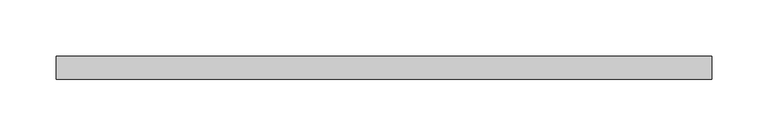
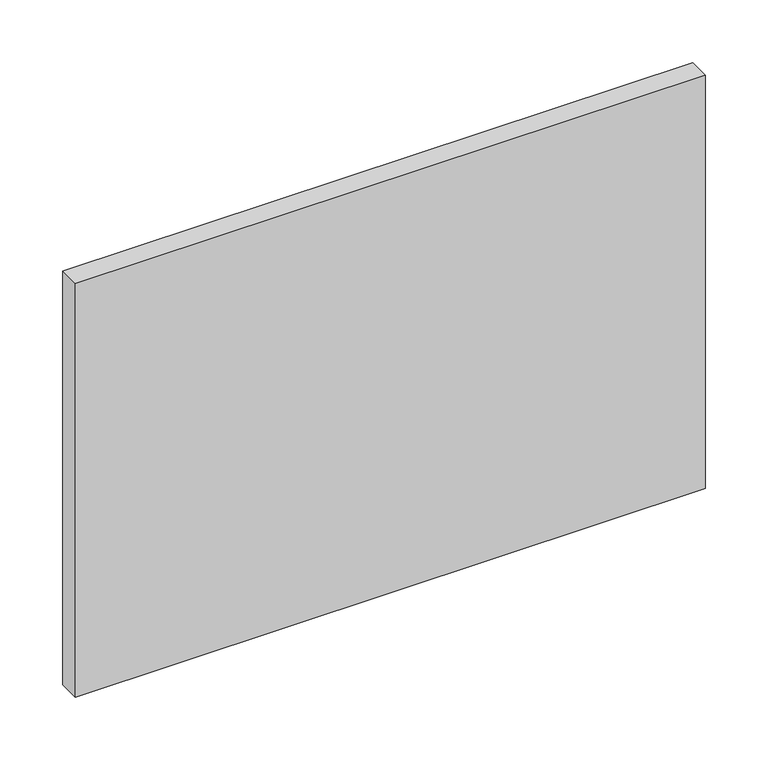
"""IFC4 building model written with IfcOpenShell, lengths in millimetres: plate geometry."""

from ifc_helpers import new_model, si_unit, origin, origin_with_axes, place, context, project, spatial, polyline, outline, extrude, source, transform, mapped, element, save


def plate_9cfb8f16(model_context):
    return source(origin(), model_context, "Body", "SweptSolid", [
        extrude(outline(polyline([(290.0, -90.0), (-290.0, -90.0), (-290.0, -70.0), (290.0, -70.0), (290.0, -90.0)])), origin_with_axes(), (0.0, 0.0, 1.0), 402.7324119),
    ])


if __name__ == "__main__":
    model = new_model("IFC4")
    model_context = context("Model", 3, world=origin())
    ifc_project = project(units=[si_unit("LENGTHUNIT", "METRE", prefix="MILLI")], contexts=[model_context])
    site = spatial("IfcSite", under=ifc_project)
    building = spatial("IfcBuilding", under=site)
    placement = place(None, origin())
    plate_shape = plate_9cfb8f16(model_context)
    element("IfcPlate", 1, at=placement, inside=building, context=model_context, shape_type="MappedRepresentation", body=[
        mapped(plate_shape, transform((0.0, 0.0, 0.0), x_axis=(1.0, 0.0, 0.0), y_axis=(0.0, 1.0, 0.0), z_axis=(0.0, 0.0, 1.0))),
    ])
    save(model, "model.ifc")
